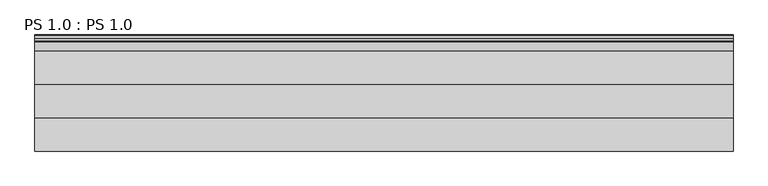
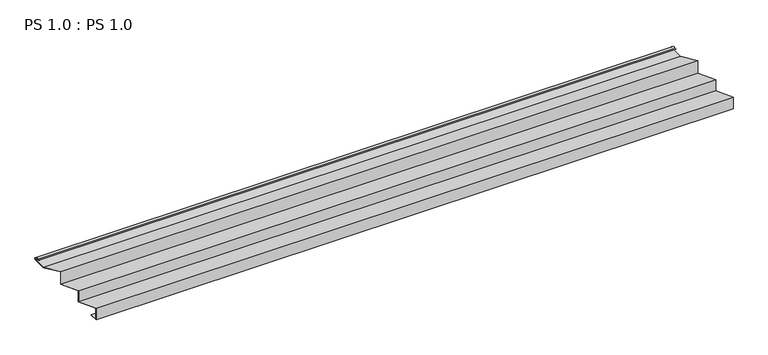
"""IFC4 building model written with IfcOpenShell, lengths in millimetres: proxy geometry, PS 1.0 : PS 1.0."""

from ifc_helpers import new_model, si_unit, point, frame, frame_2d, origin, place, context, project, spatial, polyline, circle_curve, trimmed, segment, composite_curve, outline, extrude, source, transform, mapped, element, save


def ps_1_0_ps_1_0_b6b43bb8(model_context):
    return source(origin(), model_context, "Body", "SweptSolid", [
        extrude(outline(composite_curve([segment(polyline([(0.0, 0.0), (0.0, 38.0), (94.0, 2.28), (94.0, 38.0), (188.0, 2.28), (188.0, 42.560153), (282.0, 0.0), (325.0510156, 0.0)]), True, "CONTINUOUS"), segment(trimmed(circle_curve(frame_2d((324.3094696, 1.9153551)), 2.0538928), [point((325.0510156, 0.0))], [point((325.1748462, 3.778041))], True, "CARTESIAN"), True, "CONTINUOUS"), segment(polyline([(325.1748462, 3.778041), (308.7874714, 6.923107)]), True, "CONTINUOUS"), segment(trimmed(circle_curve(frame_2d((309.4078886, 8.6005442)), 1.7884947), [point((308.7874714, 6.923107))], [point((308.9525789, 10.3301125))], False, "CARTESIAN"), True, "CONTINUOUS"), segment(polyline([(308.9525789, 10.3301125), (316.459338, 11.6715995), (316.635255, 10.6871945), (309.1762081, 9.3542338)]), True, "CONTINUOUS"), segment(trimmed(circle_curve(frame_2d((309.4078886, 8.6005442)), 0.7884947), [point((309.1762081, 9.3542338))], [point((309.0735117, 7.8864603))], True, "CARTESIAN"), True, "CONTINUOUS"), segment(polyline([(309.0735117, 7.8864603), (325.4722719, 4.7392091)]), True, "CONTINUOUS"), segment(trimmed(circle_curve(frame_2d((324.3094696, 1.9153551)), 3.0538928), [point((325.4722719, 4.7392091))], [point((325.2188462, -1.0))], False, "CARTESIAN"), True, "CONTINUOUS"), segment(polyline([(325.2188462, -1.0), (282.0065905, -1.0), (189.0, 41.1103694), (189.0, 0.8302337), (95.0, 36.5502337), (95.0, 0.8302337), (1.0, 36.5502337), (1.0, 1.0), (25.0, 1.0), (25.0, 0.0), (0.0, 0.0)]), True, "CONTINUOUS")], self_intersect=False)), frame((0.0, 0.0, 0.0), z_axis=(1.0, 0.0, 0.0), x_axis=(0.0, 1.0, 0.0)), (0.0, 0.0, 1.0), 1968.6),
    ])


if __name__ == "__main__":
    model = new_model("IFC4")
    model_context = context("Model", 3, world=origin())
    ifc_project = project(units=[si_unit("LENGTHUNIT", "METRE", prefix="MILLI")], contexts=[model_context])
    site = spatial("IfcSite", under=ifc_project)
    building = spatial("IfcBuilding", under=site)
    placement = place(None, origin())
    ps_1_0_ps_1_0_shape = ps_1_0_ps_1_0_b6b43bb8(model_context)
    element("IfcBuildingElementProxy", 1, Name="PS 1.0 : PS 1.0", ObjectType="PS 1.0 : PS 1.0", at=placement, inside=building, context=model_context, shape_type="MappedRepresentation", body=[
        mapped(ps_1_0_ps_1_0_shape, transform((0.0, 0.0, 0.0), x_axis=(1.0, 0.0, 0.0), y_axis=(0.0, 1.0, 0.0), z_axis=(0.0, 0.0, 1.0))),
    ])
    save(model, "model.ifc")
